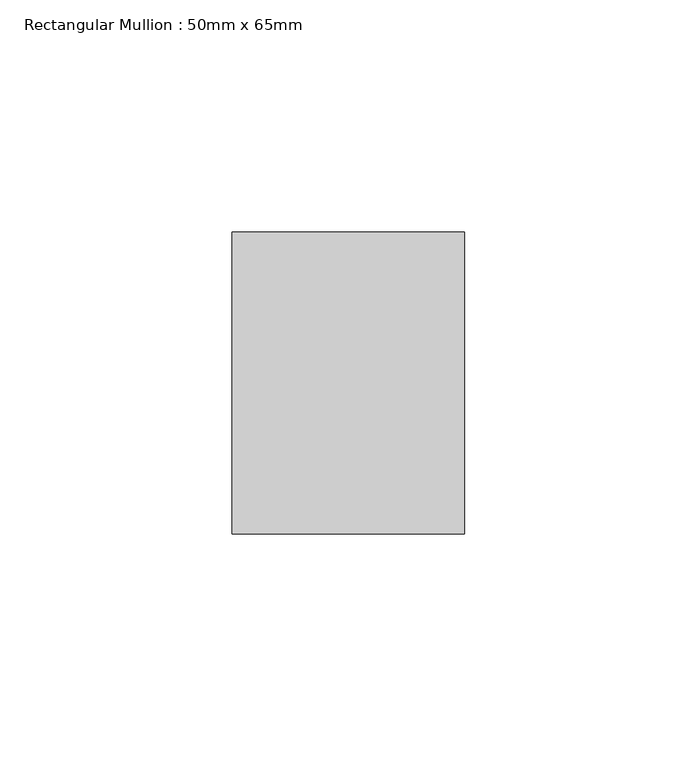
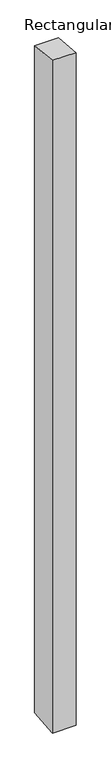
"""IFC4 building model written with IfcOpenShell, lengths in millimetres: member geometry, Rectangular Mullion : 50mm x 65mm."""

from ifc_helpers import new_model, si_unit, frame, origin, place, context, project, spatial, polyline, outline, extrude, source, transform, mapped, element, save


def rectangular_mullion_50mm_x_65mm_c5f72e6b(model_context):
    return source(origin(), model_context, "Body", "SweptSolid", [
        extrude(outline(polyline([(-32.5, 3.3716803), (32.5, -3.3716802), (32.5, -1496.8525647), (-32.5, -1503.146434), (-32.5, 3.3716803)])), frame((-25.0, 0.0, 0.0), z_axis=(1.0, 0.0, 0.0), x_axis=(0.0, 1.0, 0.0)), (0.0, 0.0, 1.0), 50.0),
    ])


if __name__ == "__main__":
    model = new_model("IFC4")
    model_context = context("Model", 3, world=origin())
    ifc_project = project(units=[si_unit("LENGTHUNIT", "METRE", prefix="MILLI")], contexts=[model_context])
    site = spatial("IfcSite", under=ifc_project)
    building = spatial("IfcBuilding", under=site)
    placement = place(None, origin())
    rectangular_mullion_50mm_x_65mm_shape = rectangular_mullion_50mm_x_65mm_c5f72e6b(model_context)
    element("IfcMember", 1, ObjectType="Rectangular Mullion : 50mm x 65mm", at=placement, inside=building, context=model_context, shape_type="MappedRepresentation", body=[
        mapped(rectangular_mullion_50mm_x_65mm_shape, transform((0.0, 0.0, 0.0), x_axis=(1.0, 0.0, 0.0), y_axis=(0.0, 1.0, 0.0), z_axis=(0.0, 0.0, 1.0))),
    ])
    save(model, "model.ifc")
